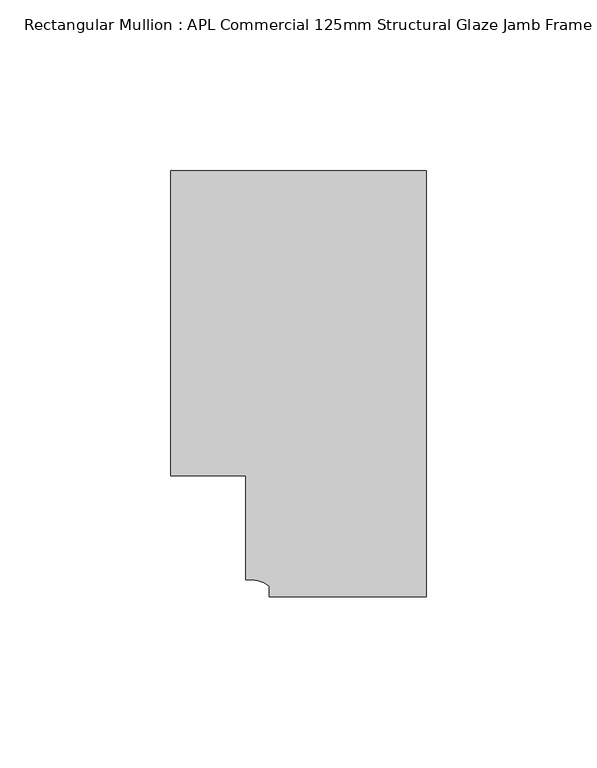
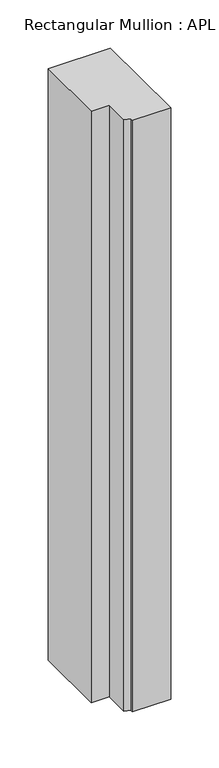
"""IFC4 building model written with IfcOpenShell, lengths in millimetres: member geometry, Rectangular Mullion : APL Commercial 125mm Structural Glaze Jamb Frame (left)."""

import ifcopenshell
import ifcopenshell.guid

model = None  # the IFC model being written
_history = None  # IfcOwnerHistory: only IFC2X3 demands one
_inside = {}  # id of a spatial element -> (the spatial element, [elements in it])
_under = {}  # id of a project, library or spatial element -> (it, [spatial elements below it])
_declared = {}  # id of a project -> (the project, [libraries it declares])
_typed = {}  # id of a type object -> (the type object, [elements of that type])
_made_of = {}  # id of a material, layer set ... -> (it, [elements and type objects made of it])


def new_model(schema):
    """Start an empty IFC model of exactly this schema.

    Asked for "IFC4X3", IfcOpenShell would pick the latest addendum, in which some entities
    have other attributes; the version numbers below select the first issue.
    IFC2X3 requires an IfcOwnerHistory on every rooted entity: one is made here for all.
    """
    global model, _history
    if schema == "IFC4X3":
        model = ifcopenshell.file(schema_version=(4, 3, 0, 0))
    else:
        model = ifcopenshell.file(schema=schema)
    _inside.clear()
    _under.clear()
    _declared.clear()
    _typed.clear()
    _made_of.clear()
    _history = None
    if model.schema == "IFC2X3":
        org = make("IfcOrganization", Name="unknown")
        user = make(
            "IfcPersonAndOrganization",
            ThePerson=make("IfcPerson", FamilyName="unknown"),
            TheOrganization=org,
        )
        app = make(
            "IfcApplication",
            ApplicationDeveloper=org,
            Version="unknown",
            ApplicationFullName="unknown",
            ApplicationIdentifier="unknown",
        )
        _history = make(
            "IfcOwnerHistory",
            OwningUser=user,
            OwningApplication=app,
            ChangeAction="ADDED",
            CreationDate=0,
        )
    return model


def make(cls, **values):
    """One entity of the class cls with the attributes given. An attribute that is None is left unset."""
    return model.create_entity(
        cls, **{name: value for name, value in values.items() if value is not None}
    )


def rooted(cls, **values):
    """An entity with a GlobalId (a new one), such as an element, a storey or a relation."""
    return make(cls, GlobalId=ifcopenshell.guid.new(), OwnerHistory=_history, **values)


def si_unit(unit_type, name, prefix=None):
    """IfcSIUnit, for example si_unit("LENGTHUNIT", "METRE", prefix="MILLI")."""
    return make("IfcSIUnit", UnitType=unit_type, Prefix=prefix, Name=name)


def assignment(units):
    """IfcUnitAssignment: the units of a project."""
    return None if units is None else make("IfcUnitAssignment", Units=units)


def point(xyz):
    """IfcCartesianPoint."""
    return None if xyz is None else make("IfcCartesianPoint", Coordinates=xyz)


def direction(xyz):
    """IfcDirection."""
    return None if xyz is None else make("IfcDirection", DirectionRatios=xyz)


def frame(location, z_axis=None, x_axis=None):
    """IfcAxis2Placement3D, a coordinate frame: its origin and axes. An axis left out is left unset."""
    return make(
        "IfcAxis2Placement3D",
        Location=point(location),
        Axis=direction(z_axis),
        RefDirection=direction(x_axis),
    )


def frame_2d(location, x_axis=None):
    """IfcAxis2Placement2D, a coordinate frame in the plane: its origin and x axis."""
    return make(
        "IfcAxis2Placement2D", Location=point(location), RefDirection=direction(x_axis)
    )


def origin():
    """The frame at (0, 0, 0) with its axes left unset."""
    return frame((0.0, 0.0, 0.0))


def place(relative_to, where):
    """IfcLocalPlacement: puts the frame where relative to a parent placement (None: the world)."""
    return make(
        "IfcLocalPlacement", PlacementRelTo=relative_to, RelativePlacement=where
    )


def context(
    kind, dimensions, precision=None, world=None, true_north=None, identifier=None
):
    """IfcGeometricRepresentationContext, for example the 3D "Model" context."""
    return make(
        "IfcGeometricRepresentationContext",
        ContextIdentifier=identifier,
        ContextType=kind,
        CoordinateSpaceDimension=dimensions,
        Precision=precision,
        WorldCoordinateSystem=world,
        TrueNorth=true_north,
    )


def project(units=None, contexts=None):
    """IfcProject with its units and contexts."""
    return rooted(
        "IfcProject",
        Name="project",
        RepresentationContexts=contexts,
        UnitsInContext=assignment(units),
    )


def spatial(cls, under=None, at=None, **own):
    """A site, building, storey or space (cls), placed at a placement, below another one or the project."""
    s = rooted(cls, ObjectPlacement=at, **own)
    if under is not None:
        _under.setdefault(under.id(), (under, []))[1].append(s)
    return s


def polyline(points):
    """IfcPolyline through the points."""
    return make("IfcPolyline", Points=[point(p) for p in points])


def circle_curve(where, radius):
    """IfcCircle in the frame where."""
    return make("IfcCircle", Position=where, Radius=radius)


def trimmed(basis, trim1, trim2, sense, master):
    """IfcTrimmedCurve: the piece of a basis curve between two trims."""
    return make(
        "IfcTrimmedCurve",
        BasisCurve=basis,
        Trim1=trim1,
        Trim2=trim2,
        SenseAgreement=sense,
        MasterRepresentation=master,
    )


def segment(curve, same_sense, transition):
    """IfcCompositeCurveSegment."""
    return make(
        "IfcCompositeCurveSegment",
        Transition=transition,
        SameSense=same_sense,
        ParentCurve=curve,
    )


def composite_curve(segments, self_intersect=None):
    """IfcCompositeCurve: segments joined end to end."""
    return make("IfcCompositeCurve", Segments=segments, SelfIntersect=self_intersect)


def outline(outer, holes=None, kind="AREA"):
    """IfcArbitraryClosedProfileDef: a profile drawn as a closed curve; with holes, ...WithVoids."""
    if holes is None:
        return make("IfcArbitraryClosedProfileDef", ProfileType=kind, OuterCurve=outer)
    return make(
        "IfcArbitraryProfileDefWithVoids",
        ProfileType=kind,
        OuterCurve=outer,
        InnerCurves=holes,
    )


def extrude(swept, where, along, depth):
    """IfcExtrudedAreaSolid: the profile swept, set in the frame where, extruded along a direction by depth."""
    return make(
        "IfcExtrudedAreaSolid",
        SweptArea=swept,
        Position=where,
        ExtrudedDirection=direction(along),
        Depth=depth,
    )


def shape(context_of_items, identifier, shape_type, items):
    """IfcShapeRepresentation: the items that make up one representation, for example the "Body"."""
    return make(
        "IfcShapeRepresentation",
        ContextOfItems=context_of_items,
        RepresentationIdentifier=identifier,
        RepresentationType=shape_type,
        Items=items,
    )


def source(mapping_origin, context_of_items, identifier, shape_type, items):
    """IfcRepresentationMap: a shape defined once, which mapped items show again and again."""
    return make(
        "IfcRepresentationMap",
        MappingOrigin=mapping_origin,
        MappedRepresentation=shape(context_of_items, identifier, shape_type, items),
    )


def transform(
    local_origin,
    x_axis=None,
    y_axis=None,
    z_axis=None,
    scale=None,
    scale2=None,
    scale3=None,
    uniform=True,
):
    """IfcCartesianTransformationOperator3D, or its non-uniform kind. x_axis, y_axis, z_axis: its Axis1, 2, 3."""
    if uniform:
        return make(
            "IfcCartesianTransformationOperator3D",
            Axis1=direction(x_axis),
            Axis2=direction(y_axis),
            LocalOrigin=point(local_origin),
            Scale=scale,
            Axis3=direction(z_axis),
        )
    return make(
        "IfcCartesianTransformationOperator3DnonUniform",
        Axis1=direction(x_axis),
        Axis2=direction(y_axis),
        LocalOrigin=point(local_origin),
        Scale=scale,
        Axis3=direction(z_axis),
        Scale2=scale2,
        Scale3=scale3,
    )


def mapped(mapping_source, mapping_target):
    """IfcMappedItem: shows the shape of a source again, moved by a transform."""
    return make(
        "IfcMappedItem", MappingSource=mapping_source, MappingTarget=mapping_target
    )


def made_of(thing, what):
    """Note that an element or type object is made of a material, layer set ...; save() writes the relation."""
    if what is not None:
        _made_of.setdefault(what.id(), (what, []))[1].append(thing)
    return thing


def element(
    cls,
    number,
    at=None,
    inside=None,
    cuts=None,
    type_object=None,
    material=None,
    context=None,
    identifier="Body",
    shape_type=None,
    held_by="IfcProductDefinitionShape",
    body=None,
    shapes=None,
    **own,
):
    """One element of the class cls, such as IfcWall. Its Tag is "e" and its number.

    at: its placement. inside: the storey or other place that contains it. cuts: it is an
    opening in that element (IfcRelVoidsElement). A single representation is given by context,
    identifier, shape_type and body (its items); several are given by shapes. held_by: the class
    of the entity that holds the representations. save() writes the other relations.
    """
    e = rooted(cls, Tag="e%d" % number, ObjectPlacement=at, **own)
    if body is not None:
        shapes = [shape(context, identifier, shape_type, body)]
    if shapes is not None:
        e.Representation = make(held_by, Representations=shapes)
    if inside is not None:
        _inside.setdefault(inside.id(), (inside, []))[1].append(e)
    if cuts is not None:
        rooted(
            "IfcRelVoidsElement", RelatingBuildingElement=cuts, RelatedOpeningElement=e
        )
    if type_object is not None:
        _typed.setdefault(type_object.id(), (type_object, []))[1].append(e)
    return made_of(e, material)


def aggregate(whole, parts):
    """IfcRelAggregates: a whole, such as a stair, and the parts it consists of."""
    return rooted("IfcRelAggregates", RelatingObject=whole, RelatedObjects=parts)


def save(model, path):
    """Write the relations noted so far, then the file.

    IfcRelAggregates (storeys below a building ...), IfcRelContainedInSpatialStructure (elements
    in a storey), IfcRelDefinesByType, IfcRelAssociatesMaterial and IfcRelDeclares: one each for
    every whole, place, type object, material and project.
    """
    for whole, parts in _under.values():
        aggregate(whole, parts)
    for where, things in _inside.values():
        rooted(
            "IfcRelContainedInSpatialStructure",
            RelatedElements=things,
            RelatingStructure=where,
        )
    for kind, things in _typed.values():
        rooted("IfcRelDefinesByType", RelatedObjects=things, RelatingType=kind)
    for what, things in _made_of.values():
        rooted("IfcRelAssociatesMaterial", RelatedObjects=things, RelatingMaterial=what)
    for by, libraries in _declared.values():
        rooted("IfcRelDeclares", RelatingContext=by, RelatedDefinitions=libraries)
    model.write(path)


def rectangular_mullion_apl_commercial_125mm_structural_glaze_8001317a(model_context):
    return source(origin(), model_context, "Body", "SweptSolid", [
        extrude(outline(composite_curve([segment(polyline([(0.0, -20.5), (-45.9999842, -20.5), (-45.9999842, -17.3125325)]), True, "CONTINUOUS"), segment(trimmed(circle_curve(frame_2d((-52.1098019, -25.7981812)), 10.4563907), [point((-45.9999842, -17.3125325))], [point((-52.9999391, -15.3797475))], True, "CARTESIAN"), True, "CONTINUOUS"), segment(polyline([(-52.9999391, -15.3797475), (-52.9999391, 15.0000829), (-75.0, 15.0000829), (-75.0, 104.5), (0.0, 104.5), (0.0, -20.5)]), True, "CONTINUOUS")], self_intersect=False)), frame((0.0, 0.0, -751.2021929), z_axis=(0.0, 0.0, 1.0), x_axis=(1.0, 0.0, 0.0)), (0.0, 0.0, 1.0), 751.2021929),
    ])


if __name__ == "__main__":
    model = new_model("IFC4")
    model_context = context("Model", 3, world=origin())
    ifc_project = project(units=[si_unit("LENGTHUNIT", "METRE", prefix="MILLI")], contexts=[model_context])
    site = spatial("IfcSite", under=ifc_project)
    building = spatial("IfcBuilding", under=site)
    placement = place(None, origin())
    rectangular_mullion_apl_commercial_125mm_structural_glaze_shape = rectangular_mullion_apl_commercial_125mm_structural_glaze_8001317a(model_context)
    element("IfcMember", 1, ObjectType="Rectangular Mullion : APL Commercial 125mm Structural Glaze Jamb Frame (left)", at=placement, inside=building, context=model_context, shape_type="MappedRepresentation", body=[
        mapped(rectangular_mullion_apl_commercial_125mm_structural_glaze_shape, transform((0.0, 0.0, 0.0), x_axis=(1.0, 0.0, 0.0), y_axis=(0.0, 1.0, 0.0), z_axis=(0.0, 0.0, 1.0))),
    ])
    save(model, "model.ifc")
